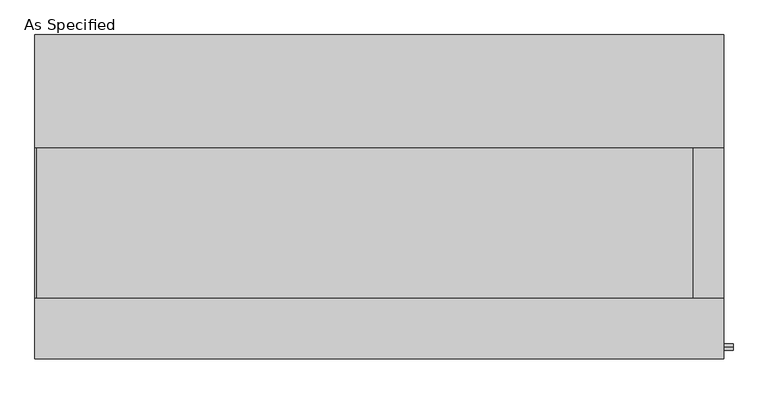
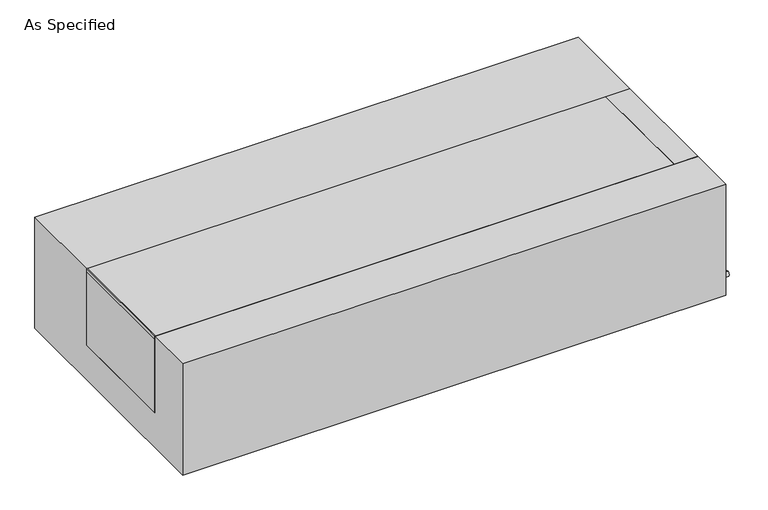
"""IFC4 building model written with IfcOpenShell, lengths in millimetres: proxy geometry, As Specified."""

from ifc_helpers import new_model, si_unit, point, frame, frame_2d, origin, place, context, project, spatial, polyline, circle_curve, trimmed, segment, composite_curve, outline, extrude, source, transform, mapped, element, save


def as_specified_60f68a3d(model_context):
    return source(origin(), model_context, "Body", "SweptSolid", [
        extrude(outline(composite_curve([segment(trimmed(circle_curve(frame_2d((-509.5875, -466.725)), 10.5), [point((-509.5875, -456.225))], [point((-509.5875, -477.225))], False, "CARTESIAN"), True, "CONTINUOUS"), segment(trimmed(circle_curve(frame_2d((-509.5875, -466.725)), 10.5), [point((-509.5875, -477.225))], [point((-509.5875, -456.225))], False, "CARTESIAN"), True, "CONTINUOUS")], self_intersect=False)), frame((1166.8125, 0.0, 0.0), z_axis=(1.0, 0.0, 0.0), x_axis=(0.0, 1.0, 0.0)), (0.0, 0.0, 1.0), 31.8403384),
        extrude(outline(polyline([(1064.41875, -342.9), (1064.41875, 165.1), (1166.8125, 165.1), (1166.8125, -342.9), (1064.41875, -342.9)])), frame((0.0, 0.0, -373.0625), z_axis=(0.0, 0.0, 1.0), x_axis=(1.0, 0.0, 0.0)), (0.0, 0.0, 1.0), 347.6625),
        extrude(outline(polyline([(-1162.84375, -342.9), (-1166.8125, -342.9), (-1166.8125, 165.1), (-1162.84375, 165.1), (-1162.84375, -342.9)])), frame((0.0, 0.0, -39.6875), z_axis=(0.0, 0.0, 1.0), x_axis=(1.0, 0.0, 0.0)), (0.0, 0.0, 1.0), 14.2875),
        extrude(outline(polyline([(1064.41875, 165.1), (1064.41875, -342.9), (-1166.8125, -342.9), (-1166.8125, 165.1), (1064.41875, 165.1)])), frame((0.0, 0.0, -373.0625), z_axis=(0.0, 0.0, 1.0), x_axis=(1.0, 0.0, 0.0)), (0.0, 0.0, 1.0), 347.6625),
        extrude(outline(polyline([(549.275, -25.4), (549.275, -530.225), (-549.275, -530.225), (-549.275, -25.4), (-342.9, -25.4), (-342.9, -373.0625), (165.1, -373.0625), (165.1, -25.4), (549.275, -25.4)])), frame((-1166.8125, 0.0, 0.0), z_axis=(1.0, 0.0, 0.0), x_axis=(0.0, 1.0, 0.0)), (0.0, 0.0, 1.0), 2333.625),
    ])


if __name__ == "__main__":
    model = new_model("IFC4")
    model_context = context("Model", 3, world=origin())
    ifc_project = project(units=[si_unit("LENGTHUNIT", "METRE", prefix="MILLI")], contexts=[model_context])
    site = spatial("IfcSite", under=ifc_project)
    building = spatial("IfcBuilding", under=site)
    placement = place(None, origin())
    as_specified_shape = as_specified_60f68a3d(model_context)
    element("IfcBuildingElementProxy", 1, Name="As Specified", ObjectType="As Specified", at=placement, inside=building, context=model_context, shape_type="MappedRepresentation", body=[
        mapped(as_specified_shape, transform((0.0, 0.0, 0.0), x_axis=(1.0, 0.0, 0.0), y_axis=(0.0, 1.0, 0.0), z_axis=(0.0, 0.0, 1.0))),
    ])
    save(model, "model.ifc")
